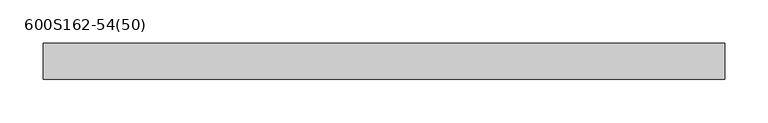
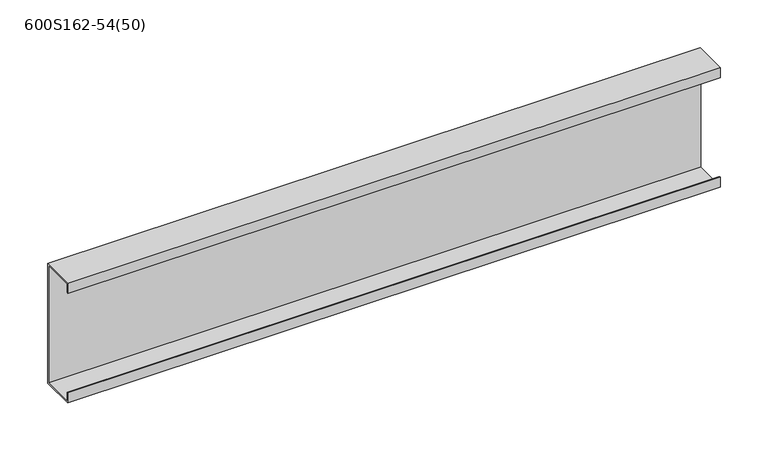
"""IFC4 building model written with IfcOpenShell, lengths in millimetres: member geometry, 600S162-54(50)."""

from ifc_helpers import new_model, si_unit, frame, origin, place, context, project, spatial, polyline, outline, extrude, source, transform, mapped, element, save


def member_600s162_54_50_0ef604e6(model_context):
    return source(origin(), model_context, "Body", "SweptSolid", [
        extrude(outline(polyline([(20.6375, 76.2), (20.6375, -76.2), (-20.6375, -76.2), (-20.6375, -63.5), (-19.2484375, -63.5), (-19.2484375, -74.8109375), (19.2484375, -74.8109375), (19.2484375, 74.8109375), (-19.2484375, 74.8109375), (-19.2484375, 63.5), (-20.6375, 63.5), (-20.6375, 76.2), (20.6375, 76.2)])), frame((-392.5, 0.0, 0.0), z_axis=(1.0, 0.0, 0.0), x_axis=(0.0, 1.0, 0.0)), (0.0, 0.0, 1.0), 785.0),
    ])


if __name__ == "__main__":
    model = new_model("IFC4")
    model_context = context("Model", 3, world=origin())
    ifc_project = project(units=[si_unit("LENGTHUNIT", "METRE", prefix="MILLI")], contexts=[model_context])
    site = spatial("IfcSite", under=ifc_project)
    building = spatial("IfcBuilding", under=site)
    placement = place(None, origin())
    member_600s162_54_50_shape = member_600s162_54_50_0ef604e6(model_context)
    element("IfcMember", 1, ObjectType="600S162-54(50)", at=placement, inside=building, context=model_context, shape_type="MappedRepresentation", body=[
        mapped(member_600s162_54_50_shape, transform((0.0, 0.0, 0.0), x_axis=(1.0, 0.0, 0.0), y_axis=(0.0, 1.0, 0.0), z_axis=(0.0, 0.0, 1.0))),
    ])
    save(model, "model.ifc")
